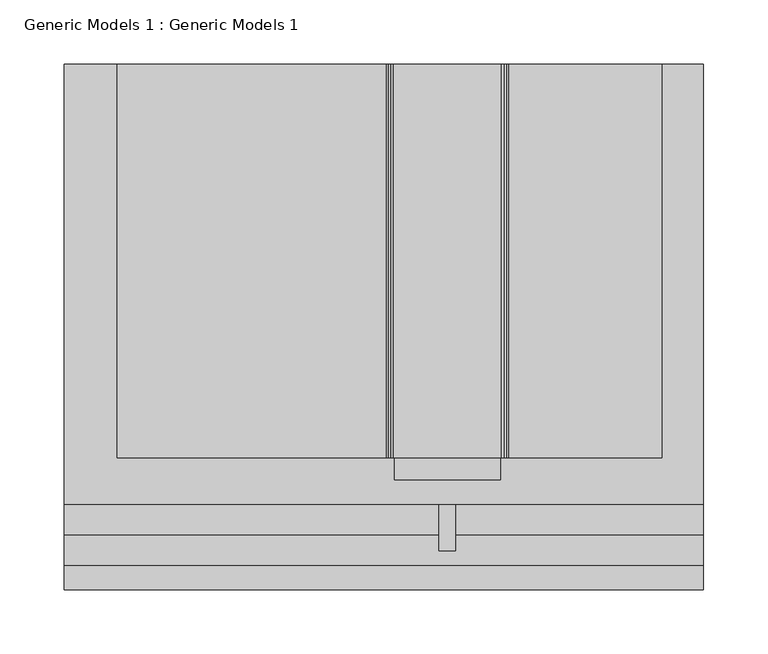
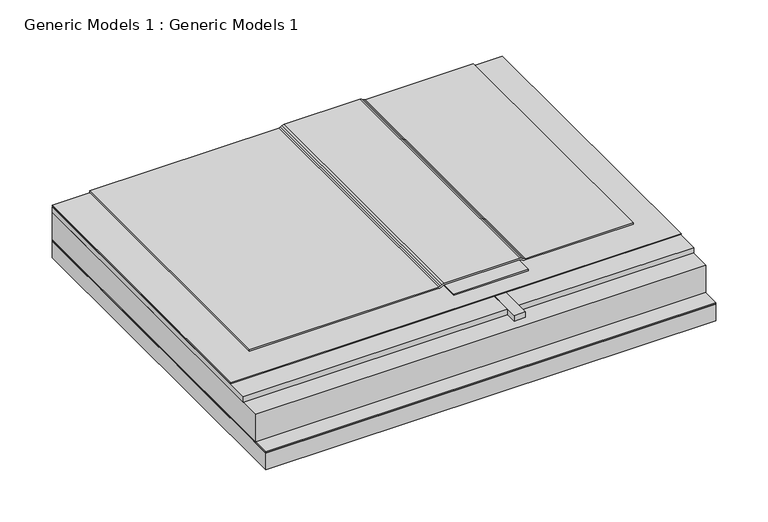
"""IFC4 building model written with IfcOpenShell, lengths in millimetres: proxy geometry, Generic Models 1 : Generic Models 1."""

from ifc_helpers import new_model, si_unit, point, frame, frame_2d, origin, place, context, project, spatial, polyline, circle_curve, trimmed, segment, composite_curve, outline, extrude, source, transform, mapped, element, save


def generic_models_1_generic_models_1_ab1111c0(model_context):
    return source(origin(), model_context, "Body", "SweptSolid", [
        extrude(outline(composite_curve([segment(trimmed(circle_curve(frame_2d((367.8347562, 275.0813254)), 3.175), [point((371.0097562, 275.0813254))], [point((370.5273089, 276.7638191))], True, "CARTESIAN"), True, "CONTINUOUS"), segment(polyline([(370.5273089, 276.7638191), (369.3784697, 278.6023461)]), True, "CONTINUOUS"), segment(trimmed(circle_curve(frame_2d((373.4172988, 281.1260866)), 4.7625), [point((369.3784697, 278.6023461))], [point((368.6547988, 281.1260866))], False, "CARTESIAN"), True, "CONTINUOUS"), segment(polyline([(368.6547988, 281.1260866), (368.6547988, 400.5539544), (370.2422988, 400.5539544), (370.2422988, 281.1260866)]), True, "CONTINUOUS"), segment(trimmed(circle_curve(frame_2d((373.4172988, 281.1260866)), 3.175), [point((370.2422988, 281.1260866))], [point((370.7247461, 279.4435929))], True, "CARTESIAN"), True, "CONTINUOUS"), segment(polyline([(370.7247461, 279.4435929), (371.8735853, 277.6050659)]), True, "CONTINUOUS"), segment(trimmed(circle_curve(frame_2d((367.8347562, 275.0813254)), 4.7625), [point((371.8735853, 277.6050659))], [point((372.5972562, 275.0813254))], False, "CARTESIAN"), True, "CONTINUOUS"), segment(polyline([(372.5972562, 275.0813254), (372.5972562, 191.6436746)]), True, "CONTINUOUS"), segment(trimmed(circle_curve(frame_2d((367.8347562, 191.6436746)), 4.7625), [point((372.5972562, 191.6436746))], [point((371.8735853, 189.1199341))], False, "CARTESIAN"), True, "CONTINUOUS"), segment(polyline([(371.8735853, 189.1199341), (370.7247461, 187.2814071)]), True, "CONTINUOUS"), segment(trimmed(circle_curve(frame_2d((373.4172988, 185.5989134)), 3.175), [point((370.7247461, 187.2814071))], [point((370.2422988, 185.5989134))], True, "CARTESIAN"), True, "CONTINUOUS"), segment(polyline([(370.2422988, 185.5989134), (370.2422988, -23.8125), (368.6547988, -23.8125), (368.6547988, 185.5989134)]), True, "CONTINUOUS"), segment(trimmed(circle_curve(frame_2d((373.4172988, 185.5989134)), 4.7625), [point((368.6547988, 185.5989134))], [point((369.3784697, 188.1226539))], False, "CARTESIAN"), True, "CONTINUOUS"), segment(polyline([(369.3784697, 188.1226539), (370.5273089, 189.9611809)]), True, "CONTINUOUS"), segment(trimmed(circle_curve(frame_2d((367.8347562, 191.6436746)), 3.175), [point((370.5273089, 189.9611809))], [point((371.0097562, 191.6436746))], True, "CARTESIAN"), True, "CONTINUOUS"), segment(polyline([(371.0097562, 191.6436746), (371.0097562, 275.0813254)]), True, "CONTINUOUS")], self_intersect=False)), frame((0.0, 87.3730793, 0.0), z_axis=(0.0, 1.0, 0.0), x_axis=(0.0, 0.0, 1.0)), (0.0, 0.0, 1.0), 306.4738597),
        extrude(outline(polyline([(227.0125, 393.8469389), (239.7125, 393.8469389), (239.7125, 14.9479358), (227.0125, 14.9479358), (227.0125, 393.8469389)])), frame((0.0, 0.0, 359.9498414), z_axis=(0.0, 0.0, 1.0), x_axis=(1.0, 0.0, 0.0)), (0.0, 0.0, 1.0), 6.35),
        extrude(outline(polyline([(239.7125, 393.8469389), (432.8397085, 393.8469389), (432.8397085, 27.5249457), (239.7125, 27.5249457), (239.7125, 393.8469389)])), frame((0.0, 0.0, 359.9498414), z_axis=(0.0, 0.0, 1.0), x_axis=(1.0, 0.0, 0.0)), (0.0, 0.0, 1.0), 6.35),
        extrude(outline(polyline([(-65.0875, 393.8469389), (227.0125, 393.8469389), (227.0125, 27.5249457), (-65.0875, 27.5249457), (-65.0875, 393.8469389)])), frame((0.0, 0.0, 359.9498414), z_axis=(0.0, 0.0, 1.0), x_axis=(1.0, 0.0, 0.0)), (0.0, 0.0, 1.0), 6.35),
        extrude(outline(polyline([(-65.0875, 393.8469389), (432.8397085, 393.8469389), (432.8397085, 3.670404), (-65.0875, 3.670404), (-65.0875, 393.8469389)])), frame((0.0, 0.0, 328.1998414), z_axis=(0.0, 0.0, 1.0), x_axis=(1.0, 0.0, 0.0)), (0.0, 0.0, 1.0), 31.75),
        extrude(outline(polyline([(-65.0875, 393.8469389), (432.8397085, 393.8469389), (432.8397085, -15.1880793), (-65.0875, -15.1880793), (-65.0875, 393.8469389)])), frame((0.0, 0.0, 306.7685914), z_axis=(0.0, 0.0, 1.0), x_axis=(1.0, 0.0, 0.0)), (0.0, 0.0, 1.0), 19.05),
        extrude(outline(polyline([(-65.0875, 393.8469389), (432.8397085, 393.8469389), (432.8397085, -15.1880793), (-65.0875, -15.1880793), (-65.0875, 393.8469389)])), frame((0.0, 0.0, 326.6123414), z_axis=(0.0, 0.0, 1.0), x_axis=(1.0, 0.0, 0.0)), (0.0, 0.0, 1.0), 0.79375),
        extrude(outline(polyline([(192.0875, 393.8469389), (274.6375, 393.8469389), (274.6375, 70.2204431), (192.0875, 70.2204431), (192.0875, 393.8469389)])), frame((0.0, 0.0, 368.6547988), z_axis=(0.0, 0.0, 1.0), x_axis=(1.0, 0.0, 0.0)), (0.0, 0.0, 1.0), 1.5875),
        extrude(outline(polyline([(-65.0875, 393.8469389), (432.8397085, 393.8469389), (432.8397085, 51.408416), (-65.0875, 51.408416), (-65.0875, 393.8469389)])), frame((0.0, 0.0, 367.0935914), z_axis=(0.0, 0.0, 1.0), x_axis=(1.0, 0.0, 0.0)), (0.0, 0.0, 1.0), 0.79375),
    ])


if __name__ == "__main__":
    model = new_model("IFC4")
    model_context = context("Model", 3, world=origin())
    ifc_project = project(units=[si_unit("LENGTHUNIT", "METRE", prefix="MILLI")], contexts=[model_context])
    site = spatial("IfcSite", under=ifc_project)
    building = spatial("IfcBuilding", under=site)
    placement = place(None, origin())
    generic_models_1_generic_models_1_shape = generic_models_1_generic_models_1_ab1111c0(model_context)
    element("IfcBuildingElementProxy", 1, Name="Generic Models 1 : Generic Models 1", ObjectType="Generic Models 1 : Generic Models 1", at=placement, inside=building, context=model_context, shape_type="MappedRepresentation", body=[
        mapped(generic_models_1_generic_models_1_shape, transform((0.0, 0.0, 0.0), x_axis=(1.0, 0.0, 0.0), y_axis=(0.0, 1.0, 0.0), z_axis=(0.0, 0.0, 1.0))),
    ])
    save(model, "model.ifc")
